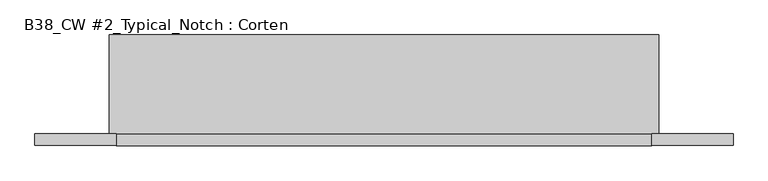
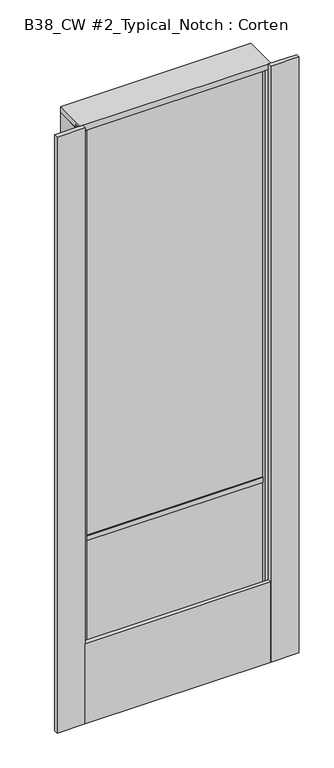
"""IFC4 building model written with IfcOpenShell, lengths in millimetres: plate geometry, B38_CW #2_Typical_Notch : Corten."""

from ifc_helpers import new_model, si_unit, frame, origin, origin_with_axes, place, context, project, spatial, polyline, outline, extrude, source, transform, mapped, element, save


def b38_cw_2_typical_notch_corten_e8821526(model_context):
    return source(origin(), model_context, "Body", "SweptSolid", [
        extrude(outline(polyline([(-584.2, -25.4), (584.2, -25.4), (584.2, -50.8), (-584.2, -50.8), (-584.2, -25.4)])), origin_with_axes(), (0.0, 0.0, 1.0), 533.4),
        extrude(outline(polyline([(-762.0, -50.8), (-762.0, -25.4), (-584.2, -25.4), (-584.2, -50.8), (-762.0, -50.8)])), origin_with_axes(), (0.0, 0.0, 1.0), 3962.4),
        extrude(outline(polyline([(584.2, -50.8), (584.2, -25.4), (762.0, -25.4), (762.0, -50.8), (584.2, -50.8)])), origin_with_axes(), (0.0, 0.0, 1.0), 3962.4),
        extrude(outline(polyline([(600.075, 0.0), (-600.075, 0.0), (-600.075, 25.4), (600.075, 25.4), (600.075, 0.0)])), frame((0.0, 0.0, 15.875), z_axis=(0.0, 0.0, 1.0), x_axis=(1.0, 0.0, 0.0)), (0.0, 0.0, 1.0), 1162.05),
        extrude(outline(polyline([(190.5, 1231.9), (190.5, 1155.7), (31.75, 1155.7), (31.75, 1177.925), (-6.35, 1177.925), (-6.35, 1209.675), (31.75, 1209.675), (31.75, 1231.9), (190.5, 1231.9)])), frame((-600.075, 0.0, 0.0), z_axis=(1.0, 0.0, 0.0), x_axis=(0.0, 1.0, 0.0)), (0.0, 0.0, 1.0), 1200.15),
        extrude(outline(polyline([(561.975, 190.5), (600.075, 190.5), (600.075, -25.4), (561.975, -25.4), (561.975, -6.35), (584.2, -6.35), (584.2, 31.75), (561.975, 31.75), (561.975, 190.5)])), frame((0.0, 0.0, 38.1), z_axis=(0.0, 0.0, 1.0), x_axis=(1.0, 0.0, 0.0)), (0.0, 0.0, 1.0), 3886.2),
        extrude(outline(polyline([(561.975, 31.75), (-561.975, 31.75), (-561.975, 95.25), (561.975, 95.25), (561.975, 31.75)])), frame((0.0, 0.0, 15.875), z_axis=(0.0, 0.0, 1.0), x_axis=(1.0, 0.0, 0.0)), (0.0, 0.0, 1.0), 1139.825),
        extrude(outline(polyline([(584.2, 0.0), (-584.2, 0.0), (-584.2, 25.4), (584.2, 25.4), (584.2, 0.0)])), frame((0.0, 0.0, 1209.675), z_axis=(0.0, 0.0, 1.0), x_axis=(1.0, 0.0, 0.0)), (0.0, 0.0, 1.0), 2736.85),
        extrude(outline(polyline([(190.5, 38.1), (190.5, 0.0), (-25.4, 0.0), (-25.4, 38.1), (-6.35, 38.1), (-6.35, 15.875), (31.75, 15.875), (31.75, 38.1), (190.5, 38.1)])), frame((-600.075, 0.0, 0.0), z_axis=(1.0, 0.0, 0.0), x_axis=(0.0, 1.0, 0.0)), (0.0, 0.0, 1.0), 1200.15),
        extrude(outline(polyline([(190.5, 3924.3), (31.75, 3924.3), (31.75, 3946.525), (-6.35, 3946.525), (-6.35, 3924.3), (-25.4, 3924.3), (-25.4, 3962.4), (190.5, 3962.4), (190.5, 3924.3)])), frame((-600.075, 0.0, 0.0), z_axis=(1.0, 0.0, 0.0), x_axis=(0.0, 1.0, 0.0)), (0.0, 0.0, 1.0), 1200.15),
        extrude(outline(polyline([(-561.975, 190.5), (-561.975, 31.75), (-584.2, 31.75), (-584.2, -6.35), (-561.975, -6.35), (-561.975, -25.4), (-600.075, -25.4), (-600.075, 190.5), (-561.975, 190.5)])), frame((0.0, 0.0, 38.1), z_axis=(0.0, 0.0, 1.0), x_axis=(1.0, 0.0, 0.0)), (0.0, 0.0, 1.0), 3886.2),
    ])


if __name__ == "__main__":
    model = new_model("IFC4")
    model_context = context("Model", 3, world=origin())
    ifc_project = project(units=[si_unit("LENGTHUNIT", "METRE", prefix="MILLI")], contexts=[model_context])
    site = spatial("IfcSite", under=ifc_project)
    building = spatial("IfcBuilding", under=site)
    placement = place(None, origin())
    b38_cw_2_typical_notch_corten_shape = b38_cw_2_typical_notch_corten_e8821526(model_context)
    element("IfcPlate", 1, ObjectType="B38_CW #2_Typical_Notch : Corten", at=placement, inside=building, context=model_context, shape_type="MappedRepresentation", body=[
        mapped(b38_cw_2_typical_notch_corten_shape, transform((0.0, 0.0, 0.0), x_axis=(1.0, 0.0, 0.0), y_axis=(0.0, 1.0, 0.0), z_axis=(0.0, 0.0, 1.0))),
    ])
    save(model, "model.ifc")
